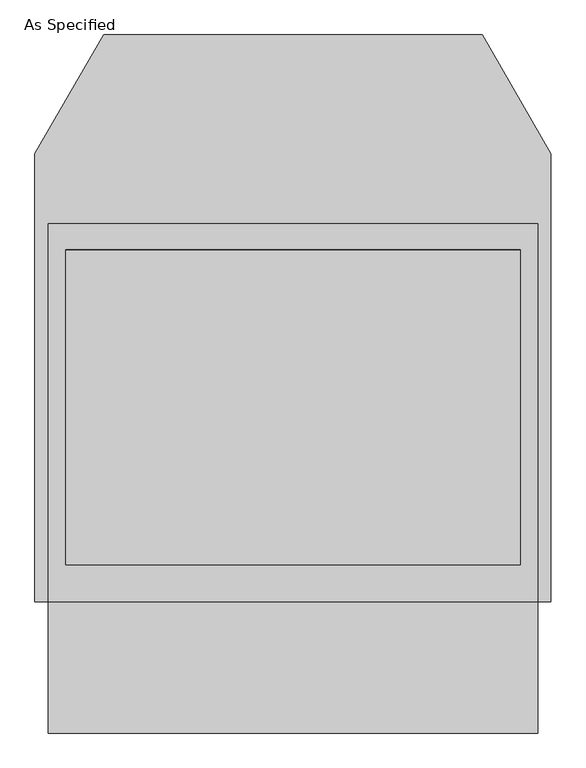
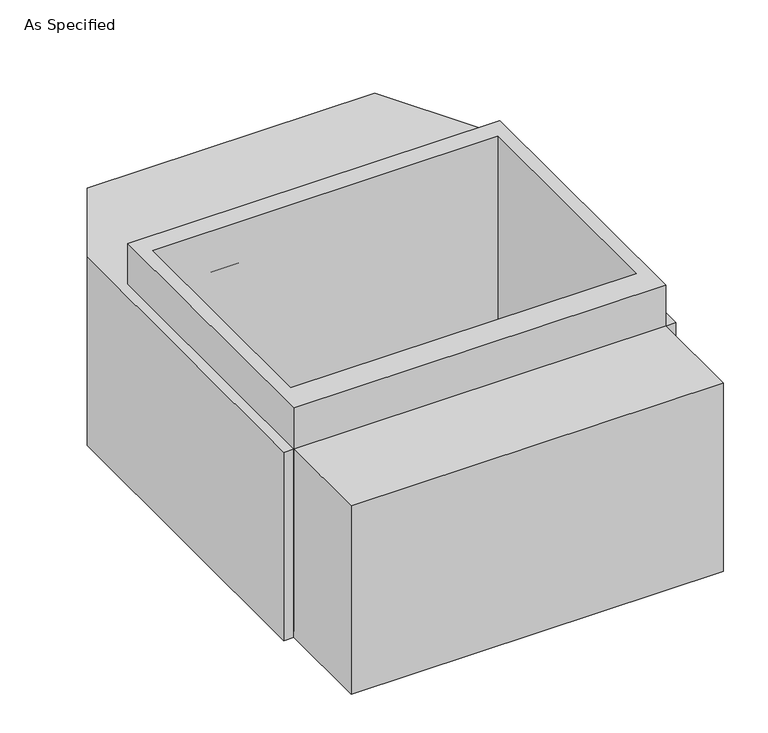
"""IFC4 building model written with IfcOpenShell, lengths in millimetres: proxy geometry, As Specified."""

from ifc_helpers import new_model, si_unit, frame, origin, place, context, project, spatial, polyline, outline, extrude, faceted_brep, source, transform, mapped, element, save


def as_specified_c6de8757(model_context):
    return source(origin(), model_context, "Body", "SolidModel", [
        extrude(outline(polyline([(711.2, 465.4351562), (711.2, -633.1148438), (-711.2, -633.1148438), (-711.2, 465.4351562), (711.2, 465.4351562)]), holes=[polyline([(-660.4, 389.2748437), (-660.4, -525.1251563), (660.4, -525.1251563), (660.4, 389.2748437), (-660.4, 389.2748437)])]), frame((0.0, 0.0, -762.0), z_axis=(0.0, 0.0, 1.0), x_axis=(1.0, 0.0, 0.0)), (0.0, 0.0, 1.0), 901.7),
        faceted_brep([(711.2, -1014.1148438, -787.4), (-711.2, -1014.1148438, -787.4), (-711.2, -633.1148438, -787.4), (-749.3, -633.1148438, -787.4), (-749.3, 668.6748437, -787.4), (-549.860123, 1014.1148437, -787.4), (549.860123, 1014.1148437, -787.4), (749.3, 668.6748437, -787.4), (749.3, -633.1148438, -787.4), (711.2, -633.1148438, -787.4), (711.2, -1014.1148438, -25.4), (711.2, -633.1148438, -25.4), (749.3, -633.1148438, -25.4), (749.3, 668.6748437, -25.4), (549.860123, 1014.1148437, -25.4), (-549.860123, 1014.1148437, -25.4), (-749.3, 668.6748437, -25.4), (-749.3, -633.1148438, -25.4), (-711.2, -633.1148438, -25.4), (-711.2, -1014.1148438, -25.4), (660.4, 389.2748437, -25.4), (660.4, -525.1251563, -25.4), (-660.4, -525.1251563, -25.4), (-660.4, 389.2748437, -25.4), (660.4, 389.2748437, -762.0), (-660.4, 389.2748437, -762.0), (-660.4, -525.1251563, -762.0), (660.4, -525.1251563, -762.0)], [[[0, 1, 2, 3, 4, 5, 6, 7, 8, 9]], [[10, 11, 12, 13, 14, 15, 16, 17, 18, 19], [20, 21, 22, 23]], [[6, 5, 15, 14]], [[3, 17, 16, 4]], [[17, 3, 2, 18]], [[8, 12, 11, 9]], [[12, 8, 7, 13]], [[0, 9, 11, 10]], [[2, 1, 19, 18]], [[1, 0, 10, 19]], [[5, 4, 16, 15]], [[7, 6, 14, 13]], [[24, 25, 26, 27]], [[24, 27, 21, 20]], [[27, 26, 22, 21]], [[26, 25, 23, 22]], [[25, 24, 20, 23]]]),
    ])


if __name__ == "__main__":
    model = new_model("IFC4")
    model_context = context("Model", 3, world=origin())
    ifc_project = project(units=[si_unit("LENGTHUNIT", "METRE", prefix="MILLI")], contexts=[model_context])
    site = spatial("IfcSite", under=ifc_project)
    building = spatial("IfcBuilding", under=site)
    placement = place(None, origin())
    as_specified_shape = as_specified_c6de8757(model_context)
    element("IfcBuildingElementProxy", 1, Name="As Specified", ObjectType="As Specified", at=placement, inside=building, context=model_context, shape_type="MappedRepresentation", body=[
        mapped(as_specified_shape, transform((0.0, 0.0, 0.0), x_axis=(1.0, 0.0, 0.0), y_axis=(0.0, 1.0, 0.0), z_axis=(0.0, 0.0, 1.0))),
    ])
    save(model, "model.ifc")
